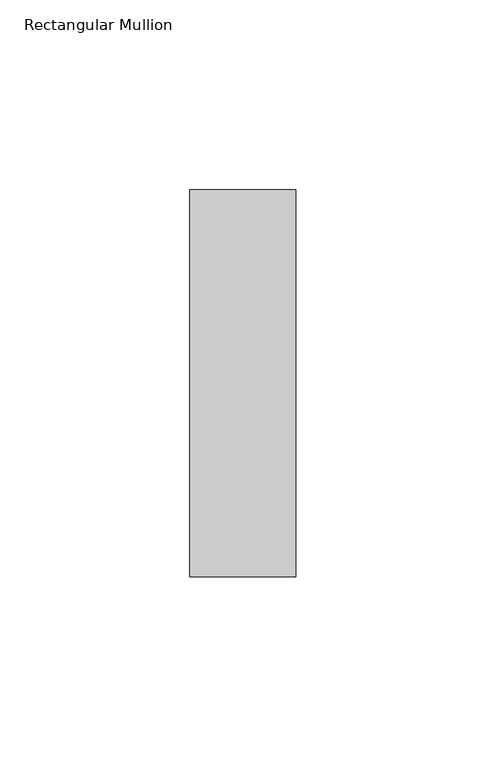
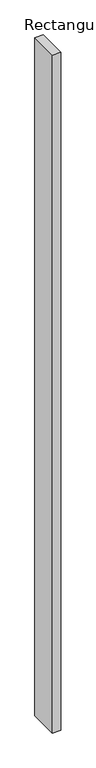
"""IFC4 building model written with IfcOpenShell, lengths in millimetres: member geometry, Rectangular Mullion."""

from ifc_helpers import new_model, si_unit, frame, origin, place, context, project, spatial, polyline, outline, extrude, source, transform, mapped, element, save


def rectangular_mullion_97fbaca1(model_context):
    return source(origin(), model_context, "Body", "SweptSolid", [
        extrude(outline(polyline([(-28.0, -51.0), (-28.0, 51.0), (0.0, 51.0), (0.0, -51.0), (-28.0, -51.0)])), frame((0.0, 0.0, -2400.0), z_axis=(0.0, 0.0, 1.0), x_axis=(1.0, 0.0, 0.0)), (0.0, 0.0, 1.0), 2400.0),
    ])


if __name__ == "__main__":
    model = new_model("IFC4")
    model_context = context("Model", 3, world=origin())
    ifc_project = project(units=[si_unit("LENGTHUNIT", "METRE", prefix="MILLI")], contexts=[model_context])
    site = spatial("IfcSite", under=ifc_project)
    building = spatial("IfcBuilding", under=site)
    placement = place(None, origin())
    rectangular_mullion_shape = rectangular_mullion_97fbaca1(model_context)
    element("IfcMember", 1, ObjectType="Rectangular Mullion", at=placement, inside=building, context=model_context, shape_type="MappedRepresentation", body=[
        mapped(rectangular_mullion_shape, transform((0.0, 0.0, 0.0), x_axis=(1.0, 0.0, 0.0), y_axis=(0.0, 1.0, 0.0), z_axis=(0.0, 0.0, 1.0))),
    ])
    save(model, "model.ifc")
